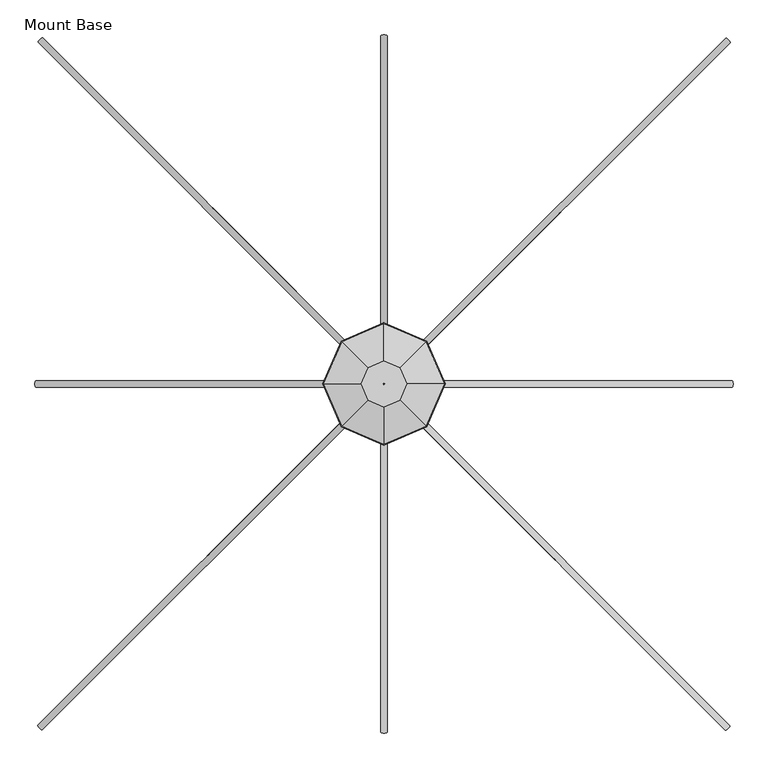
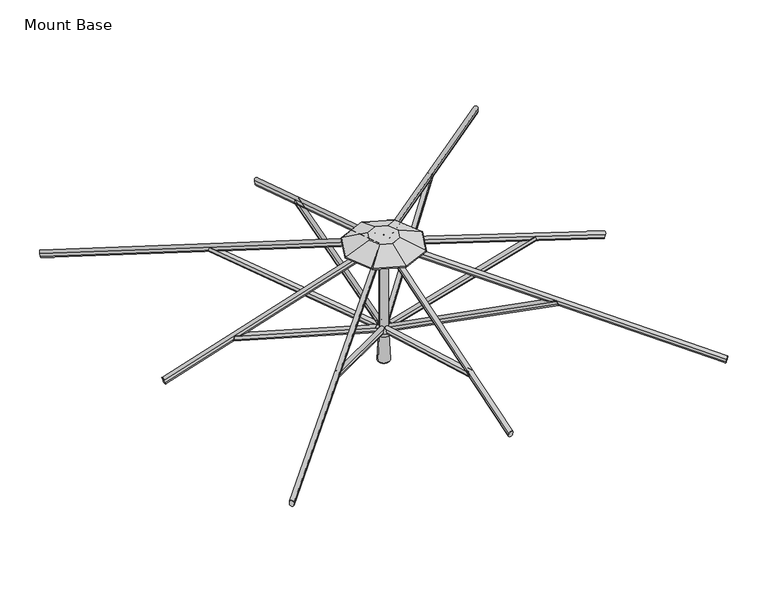
"""IFC4 building model written with IfcOpenShell, lengths in millimetres: furniture geometry, Mount Base."""

import ifcopenshell
import ifcopenshell.guid

model = None  # the IFC model being written
_history = None  # IfcOwnerHistory: only IFC2X3 demands one
_inside = {}  # id of a spatial element -> (the spatial element, [elements in it])
_under = {}  # id of a project, library or spatial element -> (it, [spatial elements below it])
_declared = {}  # id of a project -> (the project, [libraries it declares])
_typed = {}  # id of a type object -> (the type object, [elements of that type])
_made_of = {}  # id of a material, layer set ... -> (it, [elements and type objects made of it])


def new_model(schema):
    """Start an empty IFC model of exactly this schema.

    Asked for "IFC4X3", IfcOpenShell would pick the latest addendum, in which some entities
    have other attributes; the version numbers below select the first issue.
    IFC2X3 requires an IfcOwnerHistory on every rooted entity: one is made here for all.
    """
    global model, _history
    if schema == "IFC4X3":
        model = ifcopenshell.file(schema_version=(4, 3, 0, 0))
    else:
        model = ifcopenshell.file(schema=schema)
    _inside.clear()
    _under.clear()
    _declared.clear()
    _typed.clear()
    _made_of.clear()
    _history = None
    if model.schema == "IFC2X3":
        org = make("IfcOrganization", Name="unknown")
        user = make(
            "IfcPersonAndOrganization",
            ThePerson=make("IfcPerson", FamilyName="unknown"),
            TheOrganization=org,
        )
        app = make(
            "IfcApplication",
            ApplicationDeveloper=org,
            Version="unknown",
            ApplicationFullName="unknown",
            ApplicationIdentifier="unknown",
        )
        _history = make(
            "IfcOwnerHistory",
            OwningUser=user,
            OwningApplication=app,
            ChangeAction="ADDED",
            CreationDate=0,
        )
    return model


def make(cls, **values):
    """One entity of the class cls with the attributes given. An attribute that is None is left unset."""
    return model.create_entity(
        cls, **{name: value for name, value in values.items() if value is not None}
    )


def rooted(cls, **values):
    """An entity with a GlobalId (a new one), such as an element, a storey or a relation."""
    return make(cls, GlobalId=ifcopenshell.guid.new(), OwnerHistory=_history, **values)


def si_unit(unit_type, name, prefix=None):
    """IfcSIUnit, for example si_unit("LENGTHUNIT", "METRE", prefix="MILLI")."""
    return make("IfcSIUnit", UnitType=unit_type, Prefix=prefix, Name=name)


def assignment(units):
    """IfcUnitAssignment: the units of a project."""
    return None if units is None else make("IfcUnitAssignment", Units=units)


def point(xyz):
    """IfcCartesianPoint."""
    return None if xyz is None else make("IfcCartesianPoint", Coordinates=xyz)


def direction(xyz):
    """IfcDirection."""
    return None if xyz is None else make("IfcDirection", DirectionRatios=xyz)


def frame(location, z_axis=None, x_axis=None):
    """IfcAxis2Placement3D, a coordinate frame: its origin and axes. An axis left out is left unset."""
    return make(
        "IfcAxis2Placement3D",
        Location=point(location),
        Axis=direction(z_axis),
        RefDirection=direction(x_axis),
    )


def frame_2d(location, x_axis=None):
    """IfcAxis2Placement2D, a coordinate frame in the plane: its origin and x axis."""
    return make(
        "IfcAxis2Placement2D", Location=point(location), RefDirection=direction(x_axis)
    )


def origin():
    """The frame at (0, 0, 0) with its axes left unset."""
    return frame((0.0, 0.0, 0.0))


def place(relative_to, where):
    """IfcLocalPlacement: puts the frame where relative to a parent placement (None: the world)."""
    return make(
        "IfcLocalPlacement", PlacementRelTo=relative_to, RelativePlacement=where
    )


def context(
    kind, dimensions, precision=None, world=None, true_north=None, identifier=None
):
    """IfcGeometricRepresentationContext, for example the 3D "Model" context."""
    return make(
        "IfcGeometricRepresentationContext",
        ContextIdentifier=identifier,
        ContextType=kind,
        CoordinateSpaceDimension=dimensions,
        Precision=precision,
        WorldCoordinateSystem=world,
        TrueNorth=true_north,
    )


def project(units=None, contexts=None):
    """IfcProject with its units and contexts."""
    return rooted(
        "IfcProject",
        Name="project",
        RepresentationContexts=contexts,
        UnitsInContext=assignment(units),
    )


def spatial(cls, under=None, at=None, **own):
    """A site, building, storey or space (cls), placed at a placement, below another one or the project."""
    s = rooted(cls, ObjectPlacement=at, **own)
    if under is not None:
        _under.setdefault(under.id(), (under, []))[1].append(s)
    return s


def polyline(points):
    """IfcPolyline through the points."""
    return make("IfcPolyline", Points=[point(p) for p in points])


def circle_curve(where, radius):
    """IfcCircle in the frame where."""
    return make("IfcCircle", Position=where, Radius=radius)


def ellipse_curve(where, semi_axis1, semi_axis2):
    """IfcEllipse in the frame where."""
    return make(
        "IfcEllipse", Position=where, SemiAxis1=semi_axis1, SemiAxis2=semi_axis2
    )


def trimmed(basis, trim1, trim2, sense, master):
    """IfcTrimmedCurve: the piece of a basis curve between two trims."""
    return make(
        "IfcTrimmedCurve",
        BasisCurve=basis,
        Trim1=trim1,
        Trim2=trim2,
        SenseAgreement=sense,
        MasterRepresentation=master,
    )


def segment(curve, same_sense, transition):
    """IfcCompositeCurveSegment."""
    return make(
        "IfcCompositeCurveSegment",
        Transition=transition,
        SameSense=same_sense,
        ParentCurve=curve,
    )


def composite_curve(segments, self_intersect=None):
    """IfcCompositeCurve: segments joined end to end."""
    return make("IfcCompositeCurve", Segments=segments, SelfIntersect=self_intersect)


def outline(outer, holes=None, kind="AREA"):
    """IfcArbitraryClosedProfileDef: a profile drawn as a closed curve; with holes, ...WithVoids."""
    if holes is None:
        return make("IfcArbitraryClosedProfileDef", ProfileType=kind, OuterCurve=outer)
    return make(
        "IfcArbitraryProfileDefWithVoids",
        ProfileType=kind,
        OuterCurve=outer,
        InnerCurves=holes,
    )


def extrude(swept, where, along, depth):
    """IfcExtrudedAreaSolid: the profile swept, set in the frame where, extruded along a direction by depth."""
    return make(
        "IfcExtrudedAreaSolid",
        SweptArea=swept,
        Position=where,
        ExtrudedDirection=direction(along),
        Depth=depth,
    )


def shape(context_of_items, identifier, shape_type, items):
    """IfcShapeRepresentation: the items that make up one representation, for example the "Body"."""
    return make(
        "IfcShapeRepresentation",
        ContextOfItems=context_of_items,
        RepresentationIdentifier=identifier,
        RepresentationType=shape_type,
        Items=items,
    )


def source(mapping_origin, context_of_items, identifier, shape_type, items):
    """IfcRepresentationMap: a shape defined once, which mapped items show again and again."""
    return make(
        "IfcRepresentationMap",
        MappingOrigin=mapping_origin,
        MappedRepresentation=shape(context_of_items, identifier, shape_type, items),
    )


def transform(
    local_origin,
    x_axis=None,
    y_axis=None,
    z_axis=None,
    scale=None,
    scale2=None,
    scale3=None,
    uniform=True,
):
    """IfcCartesianTransformationOperator3D, or its non-uniform kind. x_axis, y_axis, z_axis: its Axis1, 2, 3."""
    if uniform:
        return make(
            "IfcCartesianTransformationOperator3D",
            Axis1=direction(x_axis),
            Axis2=direction(y_axis),
            LocalOrigin=point(local_origin),
            Scale=scale,
            Axis3=direction(z_axis),
        )
    return make(
        "IfcCartesianTransformationOperator3DnonUniform",
        Axis1=direction(x_axis),
        Axis2=direction(y_axis),
        LocalOrigin=point(local_origin),
        Scale=scale,
        Axis3=direction(z_axis),
        Scale2=scale2,
        Scale3=scale3,
    )


def mapped(mapping_source, mapping_target):
    """IfcMappedItem: shows the shape of a source again, moved by a transform."""
    return make(
        "IfcMappedItem", MappingSource=mapping_source, MappingTarget=mapping_target
    )


def made_of(thing, what):
    """Note that an element or type object is made of a material, layer set ...; save() writes the relation."""
    if what is not None:
        _made_of.setdefault(what.id(), (what, []))[1].append(thing)
    return thing


def element(
    cls,
    number,
    at=None,
    inside=None,
    cuts=None,
    type_object=None,
    material=None,
    context=None,
    identifier="Body",
    shape_type=None,
    held_by="IfcProductDefinitionShape",
    body=None,
    shapes=None,
    **own,
):
    """One element of the class cls, such as IfcWall. Its Tag is "e" and its number.

    at: its placement. inside: the storey or other place that contains it. cuts: it is an
    opening in that element (IfcRelVoidsElement). A single representation is given by context,
    identifier, shape_type and body (its items); several are given by shapes. held_by: the class
    of the entity that holds the representations. save() writes the other relations.
    """
    e = rooted(cls, Tag="e%d" % number, ObjectPlacement=at, **own)
    if body is not None:
        shapes = [shape(context, identifier, shape_type, body)]
    if shapes is not None:
        e.Representation = make(held_by, Representations=shapes)
    if inside is not None:
        _inside.setdefault(inside.id(), (inside, []))[1].append(e)
    if cuts is not None:
        rooted(
            "IfcRelVoidsElement", RelatingBuildingElement=cuts, RelatedOpeningElement=e
        )
    if type_object is not None:
        _typed.setdefault(type_object.id(), (type_object, []))[1].append(e)
    return made_of(e, material)


def aggregate(whole, parts):
    """IfcRelAggregates: a whole, such as a stair, and the parts it consists of."""
    return rooted("IfcRelAggregates", RelatingObject=whole, RelatedObjects=parts)


def save(model, path):
    """Write the relations noted so far, then the file.

    IfcRelAggregates (storeys below a building ...), IfcRelContainedInSpatialStructure (elements
    in a storey), IfcRelDefinesByType, IfcRelAssociatesMaterial and IfcRelDeclares: one each for
    every whole, place, type object, material and project.
    """
    for whole, parts in _under.values():
        aggregate(whole, parts)
    for where, things in _inside.values():
        rooted(
            "IfcRelContainedInSpatialStructure",
            RelatedElements=things,
            RelatingStructure=where,
        )
    for kind, things in _typed.values():
        rooted("IfcRelDefinesByType", RelatedObjects=things, RelatingType=kind)
    for what, things in _made_of.values():
        rooted("IfcRelAssociatesMaterial", RelatedObjects=things, RelatingMaterial=what)
    for by, libraries in _declared.values():
        rooted("IfcRelDeclares", RelatingContext=by, RelatedDefinitions=libraries)
    model.write(path)


def plane_surface(at):
    """IfcPlane: the flat surface through the origin of the frame at, square to its z axis."""
    return make("IfcPlane", Position=at)


def cylinder_surface(at, radius):
    """IfcCylindricalSurface: all points at the distance radius from the z axis of the frame at."""
    return make("IfcCylindricalSurface", Position=at, Radius=radius)


def revolved_surface(curve, axis_point, axis_direction):
    """IfcSurfaceOfRevolution: the curve turned about the line through axis_point along axis_direction."""
    return make(
        "IfcSurfaceOfRevolution",
        SweptCurve=make("IfcArbitraryOpenProfileDef", ProfileType="CURVE", Curve=curve),
        AxisPosition=make("IfcAxis1Placement", Location=point(axis_point), Axis=direction(axis_direction)),
    )


def advanced_brep(points, edges, surfaces, faces):
    """IfcAdvancedBrep: a solid bounded by faces that lie on surfaces and meet in shared edges.

    An edge is (start, end): straight between two places in points (the first is 0);
    or (start, end, curve); or (start, end, curve, False) where it runs against its curve.
    A face is (place in surfaces, loops), or (place, loops, False) where it looks against
    its surface's normal. A loop lists edges by number (the first is 1), with a minus sign
    where the edge is run from its end to its start. The first loop is the outer one.
    """
    corners = [point(p) for p in points]
    vertices = [make("IfcVertexPoint", VertexGeometry=c) for c in corners]
    made = []
    for start, end, *more in edges:
        made.append(
            make(
                "IfcEdgeCurve",
                EdgeStart=vertices[start],
                EdgeEnd=vertices[end],
                EdgeGeometry=more[0] if more else make("IfcPolyline", Points=[corners[start], corners[end]]),
                SameSense=more[1] if len(more) > 1 else True,
            )
        )
    hull = []
    for where, loops, *sense in faces:
        bounds = []
        for j, loop in enumerate(loops):
            ring = [make("IfcOrientedEdge", EdgeElement=made[abs(k) - 1], Orientation=k > 0) for k in loop]
            bounds.append(
                make(
                    "IfcFaceOuterBound" if j == 0 else "IfcFaceBound",
                    Bound=make("IfcEdgeLoop", EdgeList=ring),
                    Orientation=True,
                )
            )
        hull.append(make("IfcAdvancedFace", Bounds=bounds, FaceSurface=surfaces[where], SameSense=sense[0] if sense else True))
    return make("IfcAdvancedBrep", Outer=make("IfcClosedShell", CfsFaces=hull))


def mount_base_953742f7(model_context):
    return source(origin(), model_context, "Body", "SolidModel", [
        advanced_brep(
        [(27.2683615, -19.2336926, 1922.12924), (14.6109934, -31.8847837, 1922.132694), (11.2419343, -28.5104761, 1935.2337774), (23.8412093, -15.8053218, 1935.4482204), (498.5488652, -490.6817867, 2164.7490815), (495.125569, -487.2531575, 2178.0610737), (482.522438, -499.9585701, 2177.8536189), (485.8914971, -503.3328778, 2164.7525356)],
        [
            (0, 1, circle_curve(frame((20.9396775, -25.5592382, 1922.130967), z_axis=(-0.6643469032264145, 0.6645831492634016, -0.34201232417650185), x_axis=(0.24179623770357228, -0.24188222200279652, -0.9396954666866216)), 8.947892)),
            (1, 2),
            (2, 3, circle_curve(frame((17.5134141, -22.1317564, 1935.4464933), z_axis=(-0.6643469032264145, 0.6645831492634016, -0.34201232417650185), x_axis=(0.24179623770357228, -0.24188222200279652, -0.9396954666866216)), 8.947892)),
            (3, 0),
            (4, 5),
            (5, 6, circle_curve(frame((488.7939178, -493.5798504, 2178.0663349), z_axis=(0.6643469032264145, -0.6645831492634016, 0.34201232417650185), x_axis=(0.24179623770357228, -0.24188222200279652, -0.9396954666866216)), 8.947892)),
            (6, 7),
            (7, 4, circle_curve(frame((492.2201811, -497.0073322, 2164.7508086), z_axis=(0.6643469032264145, -0.6645831492634016, 0.34201232417650185), x_axis=(0.24179623770357228, -0.24188222200279652, -0.9396954666866216)), 8.947892)),
            (0, 4),
            (7, 1),
            (6, 2),
            (5, 3),
        ],
        [
            plane_surface(frame((23.4557037, -27.4939855, 1913.4841596), z_axis=(-0.6643469032264145, 0.6645831492634017, -0.34201232417650174), x_axis=(0.7072324735232899, 0.70698106650329, 0.0))),
            plane_surface(frame((494.7362074, -498.9420795, 2156.1040011), z_axis=(0.6643469032264145, -0.6645831492634017, 0.34201232417650174), x_axis=(0.7072324735232899, 0.70698106650329, 0.0))),
            cylinder_surface(frame((20.9396775, -25.5592382, 1922.130967), z_axis=(-0.6643469032264145, 0.6645831492634016, -0.34201232417650185), x_axis=(0.24179623770357228, -0.24188222200279652, -0.9396954666866216)), 8.947892),
            plane_surface(frame((14.6109934, -31.8847837, 1922.132694), z_axis=(-0.7072821230270891, -0.7069313695068921, 0.00019301140866706534), x_axis=(0.6643469032264145, -0.6645831492634016, 0.3420123241765016))),
            cylinder_surface(frame((17.5134141, -22.1317564, 1935.4464933), z_axis=(-0.6643469032264145, 0.6645831492634016, -0.34201232417650185), x_axis=(0.24179623770357228, -0.24188222200279652, -0.9396954666866216)), 8.947892),
            plane_surface(frame((23.8450653, -15.8050635, 1935.4412321), z_axis=(0.7072821230270898, 0.7069313695068913, -0.00019301140866992417), x_axis=(0.6643469032264145, -0.6645831492634016, 0.34201232417650157))),
        ],
        [
            (0, [[1, 2, 3, 4]]),
            (1, [[5, 6, 7, 8]]),
            (2, [[-1, 9, -8, 10]]),
            (3, [[-2, -10, -7, 11]]),
            (4, [[-3, -11, -6, 12]]),
            (5, [[-4, -12, -5, -9]]),
        ],
    ),
        advanced_brep(
        [(-15.2037519, -31.2983023, 1922.12924), (-27.8548429, -18.6409342, 1922.132694), (-24.4805353, -15.2718751, 1935.2337774), (-11.775381, -27.8711501, 1935.4482204), (-486.6518459, -502.5788059, 2164.7490815), (-483.2232167, -499.1555098, 2178.0610737), (-495.9286293, -486.5523788, 2177.8536189), (-499.302937, -489.9214379, 2164.7525356)],
        [
            (0, 1, circle_curve(frame((-21.5292974, -24.9696182, 1922.130967), z_axis=(0.6645831492634093, 0.6643469032264067, -0.34201232417650174), x_axis=(-0.24188222200279944, -0.24179623770356928, -0.9396954666866217)), 8.947892)),
            (1, 2),
            (2, 3, circle_curve(frame((-18.1018156, -21.5433549, 1935.4464933), z_axis=(0.6645831492634093, 0.6643469032264067, -0.34201232417650174), x_axis=(-0.24188222200279944, -0.24179623770356928, -0.9396954666866217)), 8.947892)),
            (3, 0),
            (4, 5),
            (5, 6, circle_curve(frame((-489.5499097, -492.8238585, 2178.0663349), z_axis=(-0.6645831492634093, -0.6643469032264067, 0.34201232417650174), x_axis=(-0.24188222200279944, -0.24179623770356928, -0.9396954666866217)), 8.947892)),
            (6, 7),
            (7, 4, circle_curve(frame((-492.9773914, -496.2501219, 2164.7508086), z_axis=(-0.6645831492634093, -0.6643469032264067, 0.34201232417650174), x_axis=(-0.24188222200279944, -0.24179623770356928, -0.9396954666866217)), 8.947892)),
            (0, 4),
            (7, 1),
            (6, 2),
            (5, 3),
        ],
        [
            plane_surface(frame((-23.4640447, -27.4856445, 1913.4841596), z_axis=(0.6645831492634096, 0.6643469032264068, -0.34201232417650174), x_axis=(0.7069810665032816, -0.7072324735232982, 0.0))),
            plane_surface(frame((-494.9121388, -498.7661482, 2156.1040011), z_axis=(-0.6645831492634096, -0.6643469032264068, 0.34201232417650174), x_axis=(0.7069810665032816, -0.7072324735232982, 0.0))),
            cylinder_surface(frame((-21.5292974, -24.9696182, 1922.130967), z_axis=(0.6645831492634094, 0.6643469032264068, -0.3420123241765018), x_axis=(-0.24188222200279944, -0.24179623770356928, -0.9396954666866217)), 8.947892),
            plane_surface(frame((-27.8548429, -18.6409342, 1922.132694), z_axis=(-0.7069313695068838, 0.7072821230270975, 0.00019301140866717637), x_axis=(-0.6645831492634093, -0.6643469032264067, 0.342012324176502))),
            cylinder_surface(frame((-18.1018156, -21.5433549, 1935.4464933), z_axis=(0.6645831492634094, 0.6643469032264068, -0.3420123241765018), x_axis=(-0.24188222200279944, -0.24179623770356928, -0.9396954666866217)), 8.947892),
            plane_surface(frame((-11.7751227, -27.8750061, 1935.4412321), z_axis=(0.706931369506883, -0.7072821230270981, -0.0001930114086700352), x_axis=(-0.6645831492634093, -0.6643469032264067, 0.342012324176502))),
        ],
        [
            (0, [[1, 2, 3, 4]]),
            (1, [[5, 6, 7, 8]]),
            (2, [[-1, 9, -8, 10]]),
            (3, [[-2, -10, -7, 11]]),
            (4, [[-3, -11, -6, 12]]),
            (5, [[-4, -12, -5, -9]]),
        ],
    ),
        advanced_brep(
        [(-27.2683615, 11.1738111, 1922.12924), (-14.6109934, 23.8249021, 1922.132694), (-11.2419343, 20.4505945, 1935.2337774), (-23.8412093, 7.7454402, 1935.4482204), (-498.5488652, 482.6219051, 2164.7490815), (-495.125569, 479.193276, 2178.0610737), (-482.522438, 491.8986886, 2177.8536189), (-485.8914971, 495.2729962, 2164.7525356)],
        [
            (0, 1, circle_curve(frame((-20.9396775, 17.4993566, 1922.130967), z_axis=(0.6643469032264122, -0.6645831492634039, -0.3420123241765018), x_axis=(-0.24179623770357134, 0.2418822220027974, -0.9396954666866217)), 8.947892)),
            (1, 2),
            (2, 3, circle_curve(frame((-17.5134141, 14.0718748, 1935.4464933), z_axis=(0.6643469032264122, -0.6645831492634039, -0.3420123241765018), x_axis=(-0.24179623770357134, 0.2418822220027974, -0.9396954666866217)), 8.947892)),
            (3, 0),
            (4, 5),
            (5, 6, circle_curve(frame((-488.7939178, 485.5199689, 2178.0663349), z_axis=(-0.6643469032264122, 0.6645831492634039, 0.3420123241765018), x_axis=(-0.24179623770357134, 0.2418822220027974, -0.9396954666866217)), 8.947892)),
            (6, 7),
            (7, 4, circle_curve(frame((-492.2201811, 488.9474507, 2164.7508086), z_axis=(-0.6643469032264122, 0.6645831492634039, 0.3420123241765018), x_axis=(-0.24179623770357134, 0.2418822220027974, -0.9396954666866217)), 8.947892)),
            (0, 4),
            (7, 1),
            (6, 2),
            (5, 3),
        ],
        [
            plane_surface(frame((-23.4557037, 19.4341039, 1913.4841596), z_axis=(0.6643469032264122, -0.664583149263404, -0.3420123241765017), x_axis=(-0.7072324735232923, -0.7069810665032874, 0.0))),
            plane_surface(frame((-494.7362074, 490.882198, 2156.1040011), z_axis=(-0.6643469032264122, 0.664583149263404, 0.3420123241765017), x_axis=(-0.7072324735232923, -0.7069810665032874, 0.0))),
            cylinder_surface(frame((-20.9396775, 17.4993566, 1922.130967), z_axis=(0.6643469032264123, -0.664583149263404, -0.34201232417650185), x_axis=(-0.24179623770357134, 0.2418822220027974, -0.9396954666866217)), 8.947892),
            plane_surface(frame((-14.6109934, 23.8249021, 1922.132694), z_axis=(0.7072821230270916, 0.7069313695068894, 0.00019301140866712085), x_axis=(-0.6643469032264121, 0.664583149263404, 0.3420123241765016))),
            cylinder_surface(frame((-17.5134141, 14.0718748, 1935.4464933), z_axis=(0.6643469032264123, -0.664583149263404, -0.34201232417650185), x_axis=(-0.24179623770357134, 0.2418822220027974, -0.9396954666866217)), 8.947892),
            plane_surface(frame((-23.8450653, 7.7451819, 1935.4412321), z_axis=(-0.7072821230270924, -0.7069313695068886, -0.00019301140866992417), x_axis=(-0.664346903226412, 0.664583149263404, 0.3420123241765016))),
        ],
        [
            (0, [[1, 2, 3, 4]]),
            (1, [[5, 6, 7, 8]]),
            (2, [[-1, 9, -8, 10]]),
            (3, [[-2, -10, -7, 11]]),
            (4, [[-3, -11, -6, 12]]),
            (5, [[-4, -12, -5, -9]]),
        ],
    ),
        advanced_brep(
        [(15.2037519, 23.2384207, 1922.12924), (27.8548429, 10.5810526, 1922.132694), (24.4805353, 7.2119936, 1935.2337774), (11.775381, 19.8112685, 1935.4482204), (486.6518459, 494.5189244, 2164.7490815), (483.2232167, 491.0956282, 2178.0610737), (495.9286293, 478.4924972, 2177.8536189), (499.302937, 481.8615563, 2164.7525356)],
        [
            (0, 1, circle_curve(frame((21.5292974, 16.9097367, 1922.130967), z_axis=(-0.6645831492633985, -0.6643469032264175, -0.34201232417650174), x_axis=(0.2418822220027955, 0.24179623770357314, -0.9396954666866216)), 8.947892)),
            (1, 2),
            (2, 3, circle_curve(frame((18.1018156, 13.4834733, 1935.4464933), z_axis=(-0.6645831492633985, -0.6643469032264175, -0.34201232417650174), x_axis=(0.2418822220027955, 0.24179623770357314, -0.9396954666866216)), 8.947892)),
            (3, 0),
            (4, 5),
            (5, 6, circle_curve(frame((489.5499097, 484.763977, 2178.0663349), z_axis=(0.6645831492633985, 0.6643469032264175, 0.34201232417650174), x_axis=(0.2418822220027955, 0.24179623770357314, -0.9396954666866216)), 8.947892)),
            (6, 7),
            (7, 4, circle_curve(frame((492.9773914, 488.1902404, 2164.7508086), z_axis=(0.6645831492633985, 0.6643469032264175, 0.34201232417650174), x_axis=(0.2418822220027955, 0.24179623770357314, -0.9396954666866216)), 8.947892)),
            (0, 4),
            (7, 1),
            (6, 2),
            (5, 3),
        ],
        [
            plane_surface(frame((23.4640447, 19.4257629, 1913.4841596), z_axis=(-0.6645831492633986, -0.6643469032264175, -0.3420123241765016), x_axis=(-0.7069810665032932, 0.7072324735232866, 0.0))),
            plane_surface(frame((494.9121388, 490.7062666, 2156.1040011), z_axis=(0.6645831492633986, 0.6643469032264175, 0.3420123241765016), x_axis=(-0.7069810665032932, 0.7072324735232866, 0.0))),
            cylinder_surface(frame((21.5292974, 16.9097367, 1922.130967), z_axis=(-0.6645831492633985, -0.6643469032264175, -0.34201232417650174), x_axis=(0.2418822220027955, 0.24179623770357314, -0.9396954666866216)), 8.947892),
            plane_surface(frame((27.8548429, 10.5810526, 1922.132694), z_axis=(0.7069313695068951, -0.7072821230270858, 0.00019301140866723188), x_axis=(0.6645831492633986, 0.6643469032264174, 0.3420123241765016))),
            cylinder_surface(frame((18.1018156, 13.4834733, 1935.4464933), z_axis=(-0.6645831492633985, -0.6643469032264175, -0.34201232417650174), x_axis=(0.2418822220027955, 0.24179623770357314, -0.9396954666866216)), 8.947892),
            plane_surface(frame((11.7751227, 19.8151246, 1935.4412321), z_axis=(-0.7069313695068944, 0.7072821230270866, -0.0001930114086701462), x_axis=(0.6645831492633985, 0.6643469032264174, 0.342012324176502))),
        ],
        [
            (0, [[1, 2, 3, 4]]),
            (1, [[5, 6, 7, 8]]),
            (2, [[-1, 9, -8, 10]]),
            (3, [[-2, -10, -7, 11]]),
            (4, [[-3, -11, -6, 12]]),
            (5, [[-4, -12, -5, -9]]),
        ],
    ),
        extrude(outline(composite_curve([segment(trimmed(circle_curve(frame_2d((0.0, -8.9882112)), 8.9535), [point((-8.9535, -8.9882112))], [point((8.9535, -8.9882112))], False, "CARTESIAN"), True, "CONTINUOUS"), segment(polyline([(8.9535, -8.9882112), (8.9535, -23.3267344)]), True, "CONTINUOUS"), segment(trimmed(circle_curve(frame_2d((0.0, -23.3267344)), 8.9535), [point((8.9535, -23.3267344))], [point((-8.9535, -23.3267344))], False, "CARTESIAN"), True, "CONTINUOUS"), segment(polyline([(-8.9535, -23.3267344), (-8.9535, -8.9882112)]), True, "CONTINUOUS")], self_intersect=False)), frame((0.0, -36.2708472, 1913.1899904), z_axis=(0.0, -0.961261669925532, 0.27563744653435174), x_axis=(-1.0, 0.0, 0.0)), (0.0, 0.0, 1.0), 668.2796334),
        extrude(outline(composite_curve([segment(trimmed(circle_curve(frame_2d((0.0, -8.9882112)), 8.9535), [point((-8.9535, -8.9882112))], [point((8.9535, -8.9882112))], False, "CARTESIAN"), True, "CONTINUOUS"), segment(polyline([(8.9535, -8.9882112), (8.9535, -23.3267344)]), True, "CONTINUOUS"), segment(trimmed(circle_curve(frame_2d((0.0, -23.3267344)), 8.9535), [point((8.9535, -23.3267344))], [point((-8.9535, -23.3267344))], False, "CARTESIAN"), True, "CONTINUOUS"), segment(polyline([(-8.9535, -23.3267344), (-8.9535, -8.9882112)]), True, "CONTINUOUS")], self_intersect=False)), frame((-32.2409064, -4.0299408, 1913.1899904), z_axis=(-0.961261669925532, 0.0, 0.27563744653435174), x_axis=(0.0, 1.0, 0.0)), (0.0, 0.0, 1.0), 668.2796334),
        extrude(outline(composite_curve([segment(trimmed(circle_curve(frame_2d((0.0, -8.9882112)), 8.9535), [point((-8.9535, -8.9882112))], [point((8.9535, -8.9882112))], False, "CARTESIAN"), True, "CONTINUOUS"), segment(polyline([(8.9535, -8.9882112), (8.9535, -23.3267345)]), True, "CONTINUOUS"), segment(trimmed(circle_curve(frame_2d((0.0, -23.3267345)), 8.9535), [point((8.9535, -23.3267345))], [point((-8.9535, -23.3267345))], False, "CARTESIAN"), True, "CONTINUOUS"), segment(polyline([(-8.9535, -23.3267345), (-8.9535, -8.9882112)]), True, "CONTINUOUS")], self_intersect=False)), frame((0.0, 28.2109657, 1913.1899904), z_axis=(0.0, 0.961261669925532, 0.27563744653435174), x_axis=(1.0, 0.0, 0.0)), (0.0, 0.0, 1.0), 668.2796334),
        extrude(outline(composite_curve([segment(trimmed(circle_curve(frame_2d((0.0, -8.9882112)), 8.9535), [point((-8.9535, -8.9882112))], [point((8.9535, -8.9882112))], False, "CARTESIAN"), True, "CONTINUOUS"), segment(polyline([(8.9535, -8.9882112), (8.9535, -23.3267344)]), True, "CONTINUOUS"), segment(trimmed(circle_curve(frame_2d((0.0, -23.3267344)), 8.9535), [point((8.9535, -23.3267344))], [point((-8.9535, -23.3267344))], False, "CARTESIAN"), True, "CONTINUOUS"), segment(polyline([(-8.9535, -23.3267344), (-8.9535, -8.9882112)]), True, "CONTINUOUS")], self_intersect=False)), frame((32.2409064, -4.0299408, 1913.1899904), z_axis=(0.961261669925532, 0.0, 0.27563744653435174), x_axis=(0.0, -1.0, 0.0)), (0.0, 0.0, 1.0), 668.2796334),
        extrude(outline(composite_curve([segment(trimmed(circle_curve(frame_2d((0.0454337, -8.9661607)), 8.9535016), [point((-8.9080678, -8.9644053))], [point((8.9989351, -8.9679161))], False, "CARTESIAN"), True, "CONTINUOUS"), segment(polyline([(8.9989351, -8.9679161), (8.9961217, -23.3170803)]), True, "CONTINUOUS"), segment(trimmed(circle_curve(frame_2d((0.0426203, -23.3153248)), 8.9535016), [point((8.9961217, -23.3170803))], [point((-8.9108812, -23.3135694))], False, "CARTESIAN"), True, "CONTINUOUS"), segment(polyline([(-8.9108812, -23.3135694), (-8.9080678, -8.9644053)]), True, "CONTINUOUS")], self_intersect=False)), frame((963.96455, -968.3772597, 2005.2716378), z_axis=(-0.6898143319487544, 0.689814331948779, 0.2198007617733697), x_axis=(0.7071067811865601, 0.707106781186535, 0.0)), (0.0, 0.0, 1.0), 1339.85),
        extrude(outline(composite_curve([segment(trimmed(circle_curve(frame_2d((0.0454337, -8.9661607)), 8.9535016), [point((-8.9080678, -8.9644053))], [point((8.9989351, -8.9679161))], False, "CARTESIAN"), True, "CONTINUOUS"), segment(polyline([(8.9989351, -8.9679161), (8.9961218, -23.3170804)]), True, "CONTINUOUS"), segment(trimmed(circle_curve(frame_2d((0.0426203, -23.3153248)), 8.9535016), [point((8.9961218, -23.3170804))], [point((-8.9108812, -23.3135694))], False, "CARTESIAN"), True, "CONTINUOUS"), segment(polyline([(-8.9108812, -23.3135694), (-8.9080678, -8.9644053)]), True, "CONTINUOUS")], self_intersect=False)), frame((-964.3473189, -967.9944907, 2005.2716378), z_axis=(0.6898143319487872, 0.6898143319487462, 0.21980076177336982), x_axis=(0.7071067811865266, -0.7071067811865686, 0.0)), (0.0, 0.0, 1.0), 1339.85),
        extrude(outline(composite_curve([segment(trimmed(circle_curve(frame_2d((0.0454336, -8.9661607)), 8.9535016), [point((-8.9080678, -8.9644053))], [point((8.9989351, -8.9679161))], False, "CARTESIAN"), True, "CONTINUOUS"), segment(polyline([(8.9989351, -8.9679161), (8.9961217, -23.3170803)]), True, "CONTINUOUS"), segment(trimmed(circle_curve(frame_2d((0.0426202, -23.3153248)), 8.9535016), [point((8.9961217, -23.3170803))], [point((-8.9108812, -23.3135694))], False, "CARTESIAN"), True, "CONTINUOUS"), segment(polyline([(-8.9108812, -23.3135694), (-8.9080678, -8.9644053)]), True, "CONTINUOUS")], self_intersect=False)), frame((-963.96455, 960.3173781, 2005.2716378), z_axis=(0.6898143319487519, -0.6898143319487815, 0.21980076177336977), x_axis=(-0.7071067811865628, -0.7071067811865324, 0.0)), (0.0, 0.0, 1.0), 1339.85),
        extrude(outline(composite_curve([segment(trimmed(circle_curve(frame_2d((13.6732816, 0.0)), 8.9535), [point((13.6732816, 8.9535))], [point((13.6732816, -8.9535))], False, "CARTESIAN"), True, "CONTINUOUS"), segment(polyline([(13.6732816, -8.9535), (-0.6443724, -8.9535)]), True, "CONTINUOUS"), segment(trimmed(circle_curve(frame_2d((-0.6443724, 0.0)), 8.9535), [point((-0.6443724, -8.9535))], [point((-0.6443724, 8.9535))], False, "CARTESIAN"), True, "CONTINUOUS"), segment(polyline([(-0.6443724, 8.9535), (13.6732816, 8.9535)]), True, "CONTINUOUS")], self_intersect=False)), frame((0.0, -983.9931133, 2022.1169623), z_axis=(0.0, 0.9527884718553474, 0.30363485949335906), x_axis=(0.0, 0.30363485949335906, -0.9527884718553474)), (0.0, 0.0, 1.0), 993.539067),
        extrude(outline(composite_curve([segment(trimmed(circle_curve(frame_2d((13.6732816, 0.0)), 8.9535), [point((13.6732816, 8.9535))], [point((13.6732816, -8.9535))], False, "CARTESIAN"), True, "CONTINUOUS"), segment(polyline([(13.6732816, -8.9535), (-0.6443724, -8.9535)]), True, "CONTINUOUS"), segment(trimmed(circle_curve(frame_2d((-0.6443724, 0.0)), 8.9535), [point((-0.6443724, -8.9535))], [point((-0.6443724, 8.9535))], False, "CARTESIAN"), True, "CONTINUOUS"), segment(polyline([(-0.6443724, 8.9535), (13.6732816, 8.9535)]), True, "CONTINUOUS")], self_intersect=False)), frame((-979.9631725, -4.0299408, 2022.1169623), z_axis=(0.9527884718553474, 0.0, 0.30363485949335906), x_axis=(0.30363485949335906, 0.0, -0.9527884718553474)), (0.0, 0.0, 1.0), 993.539067),
        extrude(outline(composite_curve([segment(trimmed(circle_curve(frame_2d((13.6732816, 0.0)), 8.9535), [point((13.6732816, 8.9535))], [point((13.6732816, -8.9535))], False, "CARTESIAN"), True, "CONTINUOUS"), segment(polyline([(13.6732816, -8.9535), (-0.6443724, -8.9535)]), True, "CONTINUOUS"), segment(trimmed(circle_curve(frame_2d((-0.6443724, 0.0)), 8.9535), [point((-0.6443724, -8.9535))], [point((-0.6443724, 8.9535))], False, "CARTESIAN"), True, "CONTINUOUS"), segment(polyline([(-0.6443724, 8.9535), (13.6732816, 8.9535)]), True, "CONTINUOUS")], self_intersect=False)), frame((0.0, 975.9332318, 2022.1169623), z_axis=(0.0, -0.9527884718553474, 0.30363485949335906), x_axis=(0.0, -0.30363485949335906, -0.9527884718553474)), (0.0, 0.0, 1.0), 993.539067),
        extrude(outline(composite_curve([segment(trimmed(circle_curve(frame_2d((0.0454336, -8.9661607)), 8.9535016), [point((-8.9080678, -8.9644053))], [point((8.9989351, -8.9679161))], False, "CARTESIAN"), True, "CONTINUOUS"), segment(polyline([(8.9989351, -8.9679161), (8.9961217, -23.3170803)]), True, "CONTINUOUS"), segment(trimmed(circle_curve(frame_2d((0.0426203, -23.3153248)), 8.9535016), [point((8.9961217, -23.3170803))], [point((-8.9108812, -23.3135694))], False, "CARTESIAN"), True, "CONTINUOUS"), segment(polyline([(-8.9108812, -23.3135694), (-8.9080678, -8.9644053)]), True, "CONTINUOUS")], self_intersect=False)), frame((964.3473189, 959.9346092, 2005.2716378), z_axis=(-0.6898143319487758, -0.6898143319487575, 0.2198007617733698), x_axis=(-0.7071067811865381, 0.7071067811865569, 0.0)), (0.0, 0.0, 1.0), 1339.85),
        extrude(outline(composite_curve([segment(trimmed(circle_curve(frame_2d((13.6732816, 0.0)), 8.9535), [point((13.6732816, 8.9535))], [point((13.6732816, -8.9535))], False, "CARTESIAN"), True, "CONTINUOUS"), segment(polyline([(13.6732816, -8.9535), (-0.6443724, -8.9535)]), True, "CONTINUOUS"), segment(trimmed(circle_curve(frame_2d((-0.6443724, 0.0)), 8.9535), [point((-0.6443724, -8.9535))], [point((-0.6443724, 8.9535))], False, "CARTESIAN"), True, "CONTINUOUS"), segment(polyline([(-0.6443724, 8.9535), (13.6732816, 8.9535)]), True, "CONTINUOUS")], self_intersect=False)), frame((979.9631725, -4.0299408, 2022.1169623), z_axis=(-0.9527884718553474, 0.0, 0.303634859493359), x_axis=(-0.303634859493359, 0.0, -0.9527884718553474)), (0.0, 0.0, 1.0), 993.539067),
        advanced_brep(
        [(-19.05, -4.0299408, 2312.4159748), (19.05, -4.0299408, 2312.4159748), (19.05, -4.0299408, 1936.4533127), (-19.05, -4.0299408, 1936.4533127), (0.0, -4.0299408, 2312.4159748), (0.0, -4.0299408, 1936.4533127)],
        [
            (0, 1, circle_curve(frame((0.0, -4.0299408, 2312.4159748), z_axis=(0.0, 0.0, -1.0), x_axis=(1.0, 0.0, 0.0)), 19.05)),
            (1, 2),
            (2, 3, circle_curve(frame((0.0, -4.0299408, 1936.4533127), z_axis=(0.0, 0.0, 1.0), x_axis=(1.0, 0.0, 0.0)), 19.05)),
            (3, 0),
            (1, 0, circle_curve(frame((0.0, -4.0299408, 2312.4159748), z_axis=(0.0, 0.0, -1.0), x_axis=(1.0, 0.0, 0.0)), 19.05)),
            (3, 2, circle_curve(frame((0.0, -4.0299408, 1936.4533127), z_axis=(0.0, 0.0, 1.0), x_axis=(1.0, 0.0, 0.0)), 19.05)),
            (4, 1),
            (0, 4),
            (2, 5),
            (5, 3),
        ],
        [
            cylinder_surface(frame((0.0, -4.0299408, 2414.0159748), z_axis=(0.0, 0.0, 1.0), x_axis=(1.0, 0.0, 0.0)), 19.05),
            plane_surface(frame((0.0, -4.0299408, 2312.4159748), z_axis=(0.0, 0.0, 1.0), x_axis=(1.0, 0.0, 0.0))),
            plane_surface(frame((0.0, -4.0299408, 1936.4533127), z_axis=(0.0, 0.0, -1.0), x_axis=(1.0, 0.0, 0.0))),
        ],
        [
            (0, [[1, 2, 3, 4]]),
            (0, [[5, -4, 6, -2]]),
            (1, [[7, -1, 8]]),
            (1, [[-8, -5, -7]]),
            (2, [[-3, 9, 10]]),
            (2, [[-6, -10, -9]]),
        ],
    ),
        advanced_brep(
        [(-24.3041832, -4.0299408, 1771.394061), (24.3041832, -4.0299408, 1771.394061), (0.0, -4.0299408, 1771.394061), (-25.317844, -4.0299408, 1772.4077219), (25.317844, -4.0299408, 1772.4077219), (-20.5098559, -4.0299408, 1894.321146), (20.5098559, -4.0299408, 1894.321146), (-23.0187508, -4.0299408, 1894.321146), (23.0187508, -4.0299408, 1894.321146), (-30.4482505, -4.0299408, 1912.0693359), (30.4482505, -4.0299408, 1912.0693359), (-30.4482505, -4.0299408, 1937.4693844), (30.4482505, -4.0299408, 1937.4693844), (0.0, -4.0299408, 1937.4693844)],
        [
            (0, 1, circle_curve(frame((0.0, -4.0299408, 1771.394061), z_axis=(0.0, 0.0, -1.0), x_axis=(1.0, 0.0, 0.0)), 24.3041832)),
            (1, 2),
            (2, 0),
            (1, 0, circle_curve(frame((0.0, -4.0299408, 1771.394061), z_axis=(0.0, 0.0, -1.0), x_axis=(1.0, 0.0, 0.0)), 24.3041832)),
            (3, 4, circle_curve(frame((0.0, -4.0299408, 1772.4077219), z_axis=(0.0, 0.0, -1.0), x_axis=(1.0, 0.0, 0.0)), 25.317844)),
            (4, 1),
            (0, 3),
            (4, 3, circle_curve(frame((0.0, -4.0299408, 1772.4077219), z_axis=(0.0, 0.0, -1.0), x_axis=(1.0, 0.0, 0.0)), 25.317844)),
            (5, 6, circle_curve(frame((0.0, -4.0299408, 1894.321146), z_axis=(0.0, 0.0, -1.0), x_axis=(1.0, 0.0, 0.0)), 20.5098559)),
            (6, 4),
            (3, 5),
            (6, 5, circle_curve(frame((0.0, -4.0299408, 1894.321146), z_axis=(0.0, 0.0, -1.0), x_axis=(1.0, 0.0, 0.0)), 20.5098559)),
            (7, 8, circle_curve(frame((0.0, -4.0299408, 1894.321146), z_axis=(0.0, 0.0, -1.0), x_axis=(1.0, 0.0, 0.0)), 23.0187508)),
            (8, 6),
            (5, 7),
            (8, 7, circle_curve(frame((0.0, -4.0299408, 1894.321146), z_axis=(0.0, 0.0, -1.0), x_axis=(1.0, 0.0, 0.0)), 23.0187508)),
            (9, 10, circle_curve(frame((0.0, -4.0299408, 1912.0693359), z_axis=(0.0, 0.0, -1.0), x_axis=(1.0, 0.0, 0.0)), 30.4482505)),
            (10, 8, circle_curve(frame((15.3691688, -4.0299408, 1907.9524191), z_axis=(0.0, 1.0, 0.0), x_axis=(1.0, 0.0, 0.0)), 15.6309856)),
            (7, 9, circle_curve(frame((-15.3691688, -4.0299408, 1907.9524191), z_axis=(0.0, 1.0, 0.0), x_axis=(-1.0, 0.0, 0.0)), 15.6309856)),
            (10, 9, circle_curve(frame((0.0, -4.0299408, 1912.0693359), z_axis=(0.0, 0.0, -1.0), x_axis=(1.0, 0.0, 0.0)), 30.4482505)),
            (11, 12, circle_curve(frame((0.0, -4.0299408, 1937.4693844), z_axis=(0.0, 0.0, -1.0), x_axis=(1.0, 0.0, 0.0)), 30.4482505)),
            (12, 10, circle_curve(frame((24.5799245, -4.0299408, 1924.7693602), z_axis=(0.0, 1.0, 0.0), x_axis=(1.0, 0.0, 0.0)), 13.9902775)),
            (9, 11, circle_curve(frame((-24.5799245, -4.0299408, 1924.7693602), z_axis=(0.0, 1.0, 0.0), x_axis=(-1.0, 0.0, 0.0)), 13.9902775)),
            (12, 11, circle_curve(frame((0.0, -4.0299408, 1937.4693844), z_axis=(0.0, 0.0, -1.0), x_axis=(1.0, 0.0, 0.0)), 30.4482505)),
            (13, 12),
            (11, 13),
        ],
        [
            plane_surface(frame((0.0, -4.0299408, 1771.394061), z_axis=(0.0, 0.0, -1.0), x_axis=(1.0, 0.0, 0.0))),
            revolved_surface(polyline([(24.3041832, -4.0299408, 1771.394061), (25.317844, -4.0299408, 1772.4077219)]), (0.0, -4.0299408, 1975.5693844), (0.0, 0.0, 1.0)),
            revolved_surface(polyline([(25.317844, -4.0299408, 1772.4077219), (20.5098559, -4.0299408, 1894.321146)]), (0.0, -4.0299408, 1975.5693844), (0.0, 0.0, 1.0)),
            plane_surface(frame((0.0, -4.0299408, 1894.321146), z_axis=(0.0, 0.0, -1.0), x_axis=(1.0, 0.0, 0.0))),
            revolved_surface(trimmed(ellipse_curve(frame((15.3691688, -4.0299408, 1907.9524191), z_axis=(0.0, -1.0, 0.0), x_axis=(1.0, 0.0, 0.0)), 15.6309856, 15.6309856), [point((23.0187508, -4.0299408, 1894.321146))], [point((30.4482505, -4.0299408, 1912.0693359))], True, "CARTESIAN"), (0.0, -4.0299408, 1975.5693844), (0.0, 0.0, 1.0)),
            revolved_surface(trimmed(ellipse_curve(frame((24.5799245, -4.0299408, 1924.7693602), z_axis=(0.0, -1.0, 0.0), x_axis=(1.0, 0.0, 0.0)), 13.9902775, 13.9902775), [point((30.4482505, -4.0299408, 1912.0693359))], [point((30.4482505, -4.0299408, 1937.4693844))], True, "CARTESIAN"), (0.0, -4.0299408, 1975.5693844), (0.0, 0.0, 1.0)),
            plane_surface(frame((0.0, -4.0299408, 1937.4693844), z_axis=(0.0, 0.0, 1.0), x_axis=(1.0, 0.0, 0.0))),
        ],
        [
            (0, [[1, 2, 3]]),
            (0, [[4, -3, -2]]),
            (1, [[5, 6, -1, 7]]),
            (1, [[8, -7, -4, -6]]),
            (2, [[9, 10, -5, 11]]),
            (2, [[12, -11, -8, -10]]),
            (3, [[13, 14, -9, 15]]),
            (3, [[16, -15, -12, -14]]),
            (4, [[17, 18, -13, 19]]),
            (4, [[20, -19, -16, -18]]),
            (5, [[21, 22, -17, 23]]),
            (5, [[24, -23, -20, -22]]),
            (6, [[25, -21, 26]]),
            (6, [[-26, -24, -25]]),
        ],
    ),
        advanced_brep(
        [(-50.6448461, -4.0299408, 2311.4000484), (50.6448461, -4.0299408, 2311.4000484), (0.0, -4.0299408, 2311.4000484), (-50.6448461, -4.0299408, 2336.8000484), (50.6448461, -4.0299408, 2336.8000484), (0.0, -4.0299408, 2336.8000484)],
        [
            (0, 1, circle_curve(frame((0.0, -4.0299408, 2311.4000484), z_axis=(0.0, 0.0, -1.0), x_axis=(1.0, 0.0, 0.0)), 50.6448461)),
            (1, 2),
            (2, 0),
            (1, 0, circle_curve(frame((0.0, -4.0299408, 2311.4000484), z_axis=(0.0, 0.0, -1.0), x_axis=(1.0, 0.0, 0.0)), 50.6448461)),
            (3, 4, circle_curve(frame((0.0, -4.0299408, 2336.8000484), z_axis=(0.0, 0.0, -1.0), x_axis=(1.0, 0.0, 0.0)), 50.6448461)),
            (4, 1, circle_curve(frame((50.6448461, -4.0299408, 2324.1000484), z_axis=(0.0, 1.0, 0.0), x_axis=(1.0, 0.0, 0.0)), 12.7)),
            (0, 3, circle_curve(frame((-50.6448461, -4.0299408, 2324.1000484), z_axis=(0.0, 1.0, 0.0), x_axis=(-1.0, 0.0, 0.0)), 12.7)),
            (4, 3, circle_curve(frame((0.0, -4.0299408, 2336.8000484), z_axis=(0.0, 0.0, -1.0), x_axis=(1.0, 0.0, 0.0)), 50.6448461)),
            (5, 4),
            (3, 5),
        ],
        [
            plane_surface(frame((0.0, -4.0299408, 2311.4000484), z_axis=(0.0, 0.0, -1.0), x_axis=(1.0, 0.0, 0.0))),
            revolved_surface(trimmed(ellipse_curve(frame((50.6448461, -4.0299408, 2324.1000484), z_axis=(0.0, -1.0, 0.0), x_axis=(1.0, 0.0, 0.0)), 12.7, 12.7), [point((50.6448461, -4.0299408, 2311.4000484))], [point((50.6448461, -4.0299408, 2336.8000484))], True, "CARTESIAN"), (0.0, -4.0299408, 2374.9000484), (0.0, 0.0, 1.0)),
            plane_surface(frame((0.0, -4.0299408, 2336.8000484), z_axis=(0.0, 0.0, 1.0), x_axis=(1.0, 0.0, 0.0))),
        ],
        [
            (0, [[1, 2, 3]]),
            (0, [[4, -3, -2]]),
            (1, [[5, 6, -1, 7]]),
            (1, [[8, -7, -4, -6]]),
            (2, [[9, -5, 10]]),
            (2, [[-10, -8, -9]]),
        ],
    ),
        advanced_brep(
        [(-46.0194858, 41.989545, 2357.6998386), (-118.5520879, 114.5221471, 2314.2481925), (-169.9226455, -4.0299408, 2314.2481925), (-65.9604812, -4.0299408, 2357.6998386), (-116.8562414, 112.8263006, 2308.3182827), (-44.6465489, 40.6166081, 2336.8711681), (-63.9926283, -4.0299408, 2336.8711681), (-167.4919609, -4.0299408, 2308.3182827), (-118.5520879, -122.5820287, 2314.2481925), (-46.0194858, -50.0494266, 2357.6998386), (-44.6465489, -48.6764896, 2336.8711681), (-116.8562414, -120.8861821, 2308.3182827), (0.0, -173.9525863, 2314.2481925), (0.0, -69.990422, 2357.6998386), (0.0, -68.0225691, 2336.8711681), (0.0, -171.5219017, 2308.3182827), (118.5520879, -122.5820287, 2314.2481925), (46.0194858, -50.0494266, 2357.6998386), (44.6465489, -48.6764896, 2336.8711681), (116.8562414, -120.8861821, 2308.3182827), (169.9226455, -4.0299408, 2314.2481925), (65.9604812, -4.0299408, 2357.6998386), (63.9926283, -4.0299408, 2336.8711681), (167.4919609, -4.0299408, 2308.3182827), (118.5520879, 114.5221471, 2314.2481925), (46.0194858, 41.989545, 2357.6998386), (44.6465489, 40.6166081, 2336.8711681), (116.8562414, 112.8263006, 2308.3182827), (0.0, 165.8927047, 2314.2481925), (0.0, 61.9305405, 2357.6998386), (0.0, 59.9626875, 2336.8711681), (0.0, 163.4620202, 2308.3182827), (-1.1916156, -2.8383252, 2357.6998386), (0.0, -2.3219787, 2357.6998386), (1.1916156, -2.8383252, 2357.6998386), (1.7079621, -4.0299408, 2357.6998386), (1.1916156, -5.2215564, 2357.6998386), (0.0, -5.7379029, 2357.6998386), (-1.1916156, -5.2215564, 2357.6998386), (-1.7079621, -4.0299408, 2357.6998386), (1.7079621, -4.0299408, 2336.8711681), (1.1916156, -2.8383252, 2336.8711681), (0.0, -2.3219787, 2336.8711681), (-1.1916156, -2.8383252, 2336.8711681), (-1.7079621, -4.0299408, 2336.8711681), (-1.1916156, -5.2215564, 2336.8711681), (0.0, -5.7379029, 2336.8711681), (1.1916156, -5.2215564, 2336.8711681)],
        [
            (0, 1),
            (1, 2),
            (2, 3),
            (3, 0),
            (4, 5),
            (5, 6),
            (6, 7),
            (7, 4),
            (2, 8),
            (8, 9),
            (9, 3),
            (6, 10),
            (10, 11),
            (11, 7),
            (8, 12),
            (12, 13),
            (13, 9),
            (10, 14),
            (14, 15),
            (15, 11),
            (12, 16),
            (16, 17),
            (17, 13),
            (14, 18),
            (18, 19),
            (19, 15),
            (16, 20),
            (20, 21),
            (21, 17),
            (18, 22),
            (22, 23),
            (23, 19),
            (20, 24),
            (24, 25),
            (25, 21),
            (22, 26),
            (26, 27),
            (27, 23),
            (24, 28),
            (28, 29),
            (29, 25),
            (26, 30),
            (30, 31),
            (31, 27),
            (28, 1),
            (0, 29),
            (32, 33),
            (33, 34),
            (34, 35),
            (35, 36),
            (36, 37),
            (37, 38),
            (38, 39),
            (39, 32),
            (5, 30),
            (40, 41),
            (41, 42),
            (42, 43),
            (43, 44),
            (44, 45),
            (45, 46),
            (46, 47),
            (47, 40),
            (4, 31),
            (1, 4, ellipse_curve(frame((-117.5513482, 113.5214075, 2311.3588273), z_axis=(-0.7071067811865479, -0.707106781186547, 0.0), x_axis=(-0.7071067811865467, 0.7071067811865483, 0.0)), 3.414142, 3.175)),
            (7, 2, ellipse_curve(frame((-168.488269, -4.0299408, 2311.3588273), z_axis=(0.0, 0.9999999999999999, 0.0), x_axis=(1.0, 0.0, 0.0)), 3.4602592, 3.175)),
            (11, 8, ellipse_curve(frame((-117.5513482, -121.581289, 2311.3588273), z_axis=(-0.707106781186547, 0.707106781186548, 0.0), x_axis=(0.7071067811865479, 0.707106781186547, 0.0)), 3.414142, 3.175)),
            (15, 12, ellipse_curve(frame((0.0, -172.5182098, 2311.3588273), z_axis=(-0.9999999999999999, 0.0, 0.0), x_axis=(0.0, 1.0, 0.0)), 3.4602592, 3.175)),
            (19, 16, ellipse_curve(frame((117.5513482, -121.581289, 2311.3588273), z_axis=(-0.707106781186548, -0.707106781186547, 0.0), x_axis=(-0.7071067811865469, 0.7071067811865481, 0.0)), 3.414142, 3.175)),
            (23, 20, ellipse_curve(frame((168.488269, -4.0299408, 2311.3588273), z_axis=(0.0, -1.0, 0.0), x_axis=(-1.0, 0.0, 0.0)), 3.4602592, 3.175)),
            (27, 24, ellipse_curve(frame((117.5513482, 113.5214075, 2311.3588273), z_axis=(0.707106781186547, -0.707106781186548, 0.0), x_axis=(-0.7071067811865478, -0.7071067811865471, 0.0)), 3.414142, 3.175)),
            (31, 28, ellipse_curve(frame((0.0, 164.4583282, 2311.3588273), z_axis=(0.9999999999999999, 0.0, 0.0), x_axis=(0.0, -1.0, 0.0)), 3.4602592, 3.175)),
            (43, 32),
            (39, 44),
            (38, 45),
            (37, 46),
            (36, 47),
            (35, 40),
            (34, 41),
            (33, 42),
        ],
        [
            plane_surface(frame((-118.5520879, 114.5221471, 2314.2481925), z_axis=(-0.3803554335054076, 0.1648142268191204, 0.9100362711677645), x_axis=(-0.3975943152246023, -0.9175613115760056, 0.0))),
            plane_surface(frame((-44.6465489, 40.6166081, 2336.8711681), z_axis=(0.2641922660836568, -0.11447882751370907, -0.9576518389230342), x_axis=(-0.39759431522460253, -0.9175613115760055, 0.0))),
            plane_surface(frame((-169.9226455, -4.0299408, 2314.2481925), z_axis=(-0.3803554335054082, -0.16481422681911934, 0.9100362711677645), x_axis=(0.3975943152245997, -0.9175613115760067, 0.0))),
            plane_surface(frame((-63.9926283, -4.0299408, 2336.8711681), z_axis=(0.2641922660836572, 0.11447882751370814, -0.9576518389230342), x_axis=(0.3975943152245993, -0.9175613115760068, 0.0))),
            plane_surface(frame((-118.5520879, -122.5820287, 2314.2481925), z_axis=(-0.1648142268191199, -0.3803554335054079, 0.9100362711677648), x_axis=(0.9175613115760062, -0.3975943152246011, 0.0))),
            plane_surface(frame((-44.6465489, -48.6764896, 2336.8711681), z_axis=(0.11447882751370854, 0.264192266083657, -0.9576518389230342), x_axis=(0.9175613115760063, -0.3975943152246008, 0.0))),
            plane_surface(frame((0.0, -173.9525863, 2314.2481925), z_axis=(0.16481422681911986, -0.38035543350540796, 0.9100362711677645), x_axis=(0.9175613115760062, 0.397594315224601, 0.0))),
            plane_surface(frame((0.0, -68.0225691, 2336.8711681), z_axis=(-0.11447882751370878, 0.2641922660836569, -0.9576518389230342), x_axis=(0.917561311576006, 0.39759431522460154, 0.0))),
            plane_surface(frame((118.5520879, -122.5820287, 2314.2481925), z_axis=(0.3803554335054076, -0.16481422681912042, 0.9100362711677644), x_axis=(0.39759431522460237, 0.9175613115760055, 0.0))),
            plane_surface(frame((44.6465489, -48.6764896, 2336.8711681), z_axis=(-0.26419226608365687, 0.114478827513709, -0.9576518389230342), x_axis=(0.3975943152246023, 0.9175613115760056, 0.0))),
            plane_surface(frame((169.9226455, -4.0299408, 2314.2481925), z_axis=(0.38035543350540807, 0.16481422681911925, 0.9100362711677645), x_axis=(-0.3975943152245996, 0.9175613115760067, 0.0))),
            plane_surface(frame((63.9926283, -4.0299408, 2336.8711681), z_axis=(-0.2641922660836571, -0.11447882751370826, -0.9576518389230342), x_axis=(-0.3975943152245998, 0.9175613115760067, 0.0))),
            plane_surface(frame((118.5520879, 114.5221471, 2314.2481925), z_axis=(0.16481422681911984, 0.3803554335054078, 0.9100362711677648), x_axis=(-0.9175613115760062, 0.39759431522460104, 0.0))),
            plane_surface(frame((44.6465489, 40.6166081, 2336.8711681), z_axis=(-0.11447882751370858, -0.264192266083657, -0.9576518389230343), x_axis=(-0.9175613115760063, 0.3975943152246009, 0.0))),
            plane_surface(frame((0.0, 165.8927047, 2314.2481925), z_axis=(-0.16481422681911978, 0.3803554335054079, 0.9100362711677645), x_axis=(-0.9175613115760063, -0.3975943152246008, 0.0))),
            plane_surface(frame((0.0, 61.9305405, 2357.6998386), z_axis=(0.0, 0.0, 1.0000000000000002), x_axis=(-0.9175613115760063, -0.39759431522460087, 0.0))),
            plane_surface(frame((0.0, -2.3219787, 2336.8711681), z_axis=(0.0, 0.0, -1.0), x_axis=(-0.9175613115760008, -0.39759431522461314, 0.0))),
            plane_surface(frame((0.0, 59.9626875, 2336.8711681), z_axis=(0.11447882751370861, -0.2641922660836569, -0.9576518389230342), x_axis=(-0.9175613115760062, -0.3975943152246011, 0.0))),
            cylinder_surface(frame((-119.8125452, 108.3030561, 2311.3588273), z_axis=(0.39759431522460237, 0.9175613115760056, 0.0), x_axis=(0.9175613115760056, -0.39759431522460237, 0.0)), 3.175),
            cylinder_surface(frame((-166.0100206, -9.7491997, 2311.3588273), z_axis=(-0.39759431522459965, 0.9175613115760068, 0.0), x_axis=(0.9175613115760068, 0.39759431522459965, 0.0)), 3.175),
            cylinder_surface(frame((-112.3329969, -123.842486, 2311.3588273), z_axis=(-0.9175613115760063, 0.3975943152246009, 0.0), x_axis=(0.3975943152246009, 0.9175613115760063, 0.0)), 3.175),
            cylinder_surface(frame((5.7192589, -170.0399614, 2311.3588273), z_axis=(-0.9175613115760062, -0.3975943152246011, 0.0), x_axis=(-0.3975943152246011, 0.9175613115760062, 0.0)), 3.175),
            cylinder_surface(frame((119.8125452, -116.3629377, 2311.3588273), z_axis=(-0.3975943152246023, -0.9175613115760057, 0.0), x_axis=(-0.9175613115760057, 0.3975943152246023, 0.0)), 3.175),
            cylinder_surface(frame((166.0100206, 1.6893181, 2311.3588273), z_axis=(0.39759431522459965, -0.9175613115760066, 0.0), x_axis=(-0.9175613115760066, -0.39759431522459965, 0.0)), 3.175),
            cylinder_surface(frame((112.3329969, 115.7826044, 2311.3588273), z_axis=(0.9175613115760062, -0.3975943152246008, 0.0), x_axis=(-0.3975943152246008, -0.9175613115760062, 0.0)), 3.175),
            cylinder_surface(frame((-5.7192589, 161.9800798, 2311.3588273), z_axis=(0.9175613115760061, 0.39759431522460115, 0.0), x_axis=(0.39759431522460115, -0.9175613115760061, 0.0)), 3.175),
            plane_surface(frame((-1.1916156, -2.8383252, 2357.6998386), z_axis=(0.9175613115760038, -0.39759431522460625, 0.0), x_axis=(-0.39759431522460625, -0.9175613115760038, 0.0))),
            plane_surface(frame((-1.7079621, -4.0299408, 2357.6998386), z_axis=(0.9175613115760021, 0.3975943152246105, 0.0), x_axis=(0.3975943152246105, -0.9175613115760021, 0.0))),
            plane_surface(frame((-1.1916156, -5.2215564, 2357.6998386), z_axis=(0.3975943152246073, 0.9175613115760034, 0.0), x_axis=(0.9175613115760034, -0.3975943152246073, 0.0))),
            plane_surface(frame((0.0, -5.7379029, 2357.6998386), z_axis=(-0.3975943152246036, 0.9175613115760052, 0.0), x_axis=(0.9175613115760052, 0.3975943152246036, 0.0))),
            plane_surface(frame((1.1916156, -5.2215564, 2357.6998386), z_axis=(-0.9175613115759955, 0.3975943152246254, 0.0), x_axis=(0.3975943152246254, 0.9175613115759955, 0.0))),
            plane_surface(frame((1.7079621, -4.0299408, 2357.6998386), z_axis=(-0.9175613115760076, -0.3975943152245974, 0.0), x_axis=(-0.3975943152245974, 0.9175613115760076, 0.0))),
            plane_surface(frame((1.1916156, -2.8383252, 2357.6998386), z_axis=(-0.3975943152245922, -0.9175613115760101, 0.0), x_axis=(-0.9175613115760101, 0.3975943152245922, 0.0))),
            plane_surface(frame((0.0, -2.3219787, 2357.6998386), z_axis=(0.39759431522460587, -0.9175613115760042, 0.0), x_axis=(-0.9175613115760042, -0.39759431522460587, 0.0))),
        ],
        [
            (0, [[1, 2, 3, 4]]),
            (1, [[5, 6, 7, 8]]),
            (2, [[-3, 9, 10, 11]]),
            (3, [[-7, 12, 13, 14]]),
            (4, [[-10, 15, 16, 17]]),
            (5, [[-13, 18, 19, 20]]),
            (6, [[-16, 21, 22, 23]]),
            (7, [[-19, 24, 25, 26]]),
            (8, [[-22, 27, 28, 29]]),
            (9, [[-25, 30, 31, 32]]),
            (10, [[-28, 33, 34, 35]]),
            (11, [[-31, 36, 37, 38]]),
            (12, [[-34, 39, 40, 41]]),
            (13, [[-37, 42, 43, 44]]),
            (14, [[-40, 45, -1, 46]]),
            (15, [[-35, -41, -46, -4, -11, -17, -23, -29], [47, 48, 49, 50, 51, 52, 53, 54]]),
            (16, [[55, -42, -36, -30, -24, -18, -12, -6], [56, 57, 58, 59, 60, 61, 62, 63]]),
            (17, [[-43, -55, -5, 64]]),
            (18, [[65, -8, 66, -2]]),
            (19, [[-66, -14, 67, -9]]),
            (20, [[-67, -20, 68, -15]]),
            (21, [[-68, -26, 69, -21]]),
            (22, [[-69, -32, 70, -27]]),
            (23, [[-70, -38, 71, -33]]),
            (24, [[-71, -44, 72, -39]]),
            (25, [[-72, -64, -65, -45]]),
            (26, [[73, -54, 74, -59]]),
            (27, [[-74, -53, 75, -60]]),
            (28, [[-75, -52, 76, -61]]),
            (29, [[-76, -51, 77, -62]]),
            (30, [[-77, -50, 78, -63]]),
            (31, [[-78, -49, 79, -56]]),
            (32, [[-79, -48, 80, -57]]),
            (33, [[-80, -47, -73, -58]]),
        ],
    ),
    ])


if __name__ == "__main__":
    model = new_model("IFC4")
    model_context = context("Model", 3, world=origin())
    ifc_project = project(units=[si_unit("LENGTHUNIT", "METRE", prefix="MILLI")], contexts=[model_context])
    site = spatial("IfcSite", under=ifc_project)
    building = spatial("IfcBuilding", under=site)
    placement = place(None, origin())
    mount_base_shape = mount_base_953742f7(model_context)
    element("IfcFurniture", 1, ObjectType="Mount Base", at=placement, inside=building, context=model_context, shape_type="MappedRepresentation", body=[
        mapped(mount_base_shape, transform((0.0, 0.0, 0.0), x_axis=(1.0, 0.0, 0.0), y_axis=(0.0, 1.0, 0.0), z_axis=(0.0, 0.0, 1.0))),
    ])
    save(model, "model.ifc")
